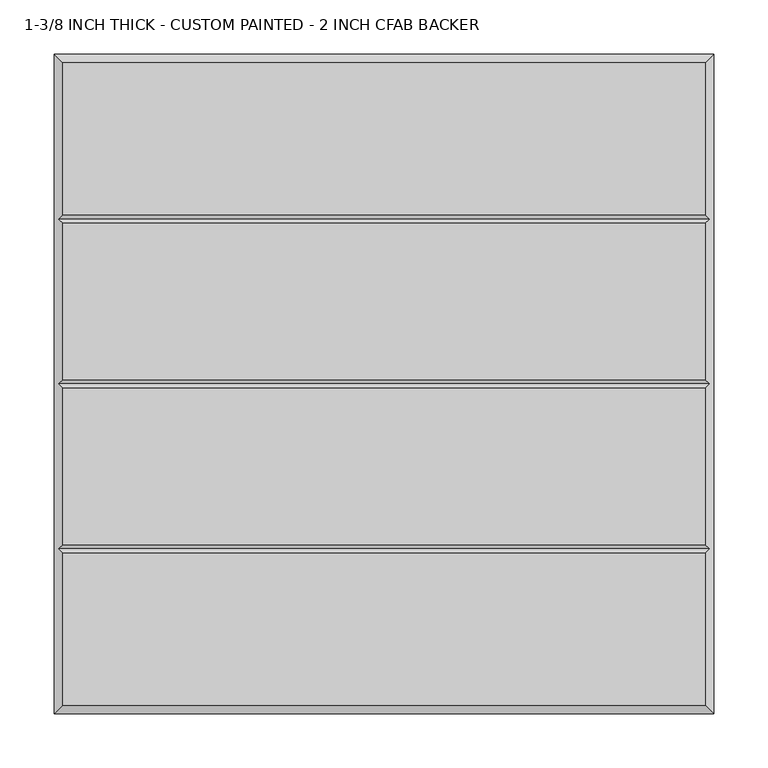
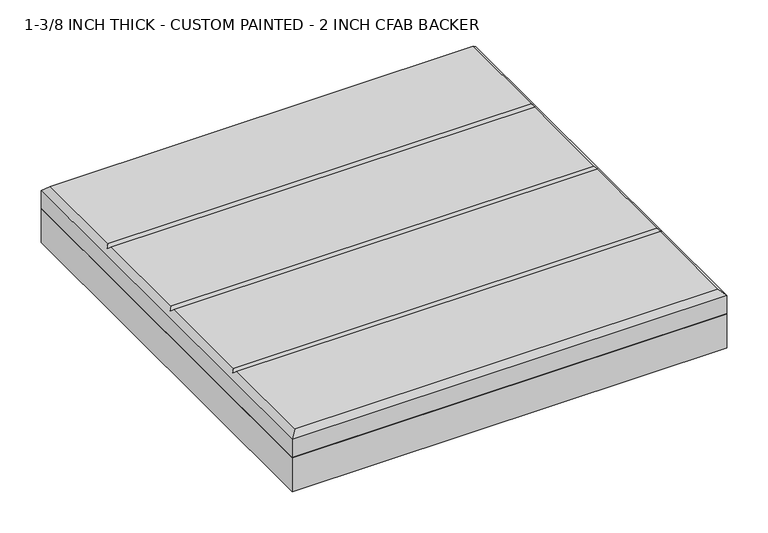
"""IFC4 building model written with IfcOpenShell, lengths in millimetres: proxy geometry, 1-3/8 INCH THICK - CUSTOM PAINTED - 2 INCH CFAB BACKER."""

from ifc_helpers import new_model, si_unit, frame, origin, place, context, project, spatial, polyline, outline, extrude, faceted_brep, source, transform, mapped, element, save


def proxy_1_3_8_inch_thick_custom_painted_2_inch_cfab_backer_0de21d1a(model_context):
    return source(origin(), model_context, "Body", "SolidModel", [
        extrude(outline(polyline([(-304.8, 304.8), (304.8, 304.8), (304.8, -304.8), (-304.8, -304.8), (-304.8, 304.8)])), frame((0.0, 0.0, -50.8), z_axis=(0.0, 0.0, 1.0), x_axis=(1.0, 0.0, 0.0)), (0.0, 0.0, 1.0), 50.8),
        faceted_brep([(296.799, 296.799, 34.925), (-296.799, 296.799, 34.925), (-296.799, 156.4005254, 34.925), (296.799, 156.4005254, 34.925), (-296.799, -296.799, 34.925), (296.799, -296.799, 34.925), (296.799, -156.4004746, 34.925), (-296.799, -156.4004746, 34.925), (296.799, 148.3995254, 34.925), (-296.799, 148.3995254, 34.925), (-296.799, 4.0005, 34.925), (296.799, 4.0005, 34.925), (296.799, -4.0005, 34.925), (-296.799, -4.0005, 34.925), (-296.799, -148.3994746, 34.925), (296.799, -148.3994746, 34.925), (-304.8, 304.8, 0.0), (304.8, 304.8, 0.0), (304.8, -304.8, 0.0), (-304.8, -304.8, 0.0), (-304.8, -304.8, 26.924), (-304.8, 304.8, 26.924), (304.8, -304.8, 26.924), (304.8, 304.8, 26.924), (-300.7995, -152.3999746, 30.9245), (-300.7995, 0.0, 30.9245), (-300.7995, 152.4000254, 30.9245), (300.7995, 152.4000254, 30.9245), (300.7995, 0.0, 30.9245), (300.7995, -152.3999746, 30.9245)], [[[0, 1, 2, 3]], [[4, 5, 6, 7]], [[8, 9, 10, 11]], [[12, 13, 14, 15]], [[16, 17, 18, 19]], [[16, 19, 20, 21]], [[19, 18, 22, 20]], [[18, 17, 23, 22]], [[17, 16, 21, 23]], [[21, 1, 0, 23]], [[1, 21, 20, 4, 7, 24, 14, 13, 25, 10, 9, 26, 2]], [[4, 20, 22, 5]], [[23, 0, 3, 27, 8, 11, 28, 12, 15, 29, 6, 5, 22]], [[27, 26, 9, 8]], [[26, 27, 3, 2]], [[28, 25, 13, 12]], [[25, 28, 11, 10]], [[29, 24, 7, 6]], [[24, 29, 15, 14]]]),
    ])


if __name__ == "__main__":
    model = new_model("IFC4")
    model_context = context("Model", 3, world=origin())
    ifc_project = project(units=[si_unit("LENGTHUNIT", "METRE", prefix="MILLI")], contexts=[model_context])
    site = spatial("IfcSite", under=ifc_project)
    building = spatial("IfcBuilding", under=site)
    placement = place(None, origin())
    proxy_1_3_8_inch_thick_custom_painted_2_inch_cfab_backer_shape = proxy_1_3_8_inch_thick_custom_painted_2_inch_cfab_backer_0de21d1a(model_context)
    element("IfcBuildingElementProxy", 1, Name="1-3/8 INCH THICK - CUSTOM PAINTED - 2 INCH CFAB BACKER", ObjectType="1-3/8 INCH THICK - CUSTOM PAINTED - 2 INCH CFAB BACKER", at=placement, inside=building, context=model_context, shape_type="MappedRepresentation", body=[
        mapped(proxy_1_3_8_inch_thick_custom_painted_2_inch_cfab_backer_shape, transform((0.0, 0.0, 0.0), x_axis=(1.0, 0.0, 0.0), y_axis=(0.0, 1.0, 0.0), z_axis=(0.0, 0.0, 1.0))),
    ])
    save(model, "model.ifc")
